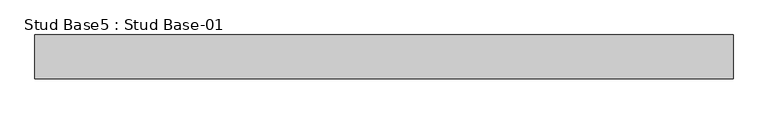
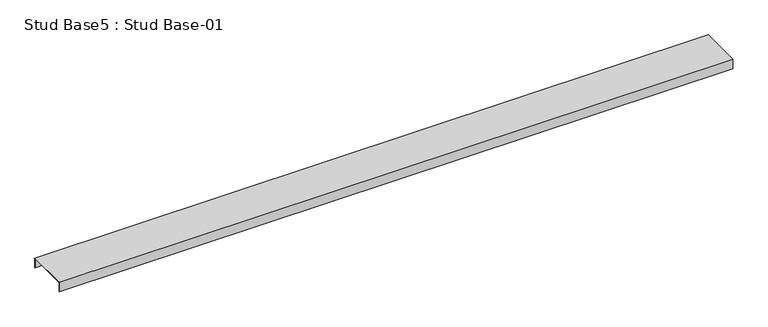
"""IFC4 building model written with IfcOpenShell, lengths in millimetres: proxy geometry, Stud Base5 : Stud Base-01."""

from ifc_helpers import new_model, si_unit, frame, origin, place, context, project, spatial, polyline, outline, extrude, source, transform, mapped, element, save


def stud_base5_stud_base_01_2846db5f(model_context):
    return source(origin(), model_context, "Body", "SweptSolid", [
        extrude(outline(polyline([(-487.1, 3888.0), (-487.1, 3851.0), (-488.6, 3851.0), (-488.6, 3886.0), (-639.6109375, 3886.0), (-639.6109375, 3851.0), (-641.1109375, 3851.0), (-641.1109375, 3888.0), (-487.1, 3888.0)])), frame((-8912.3715794, 0.0, 0.0), z_axis=(1.0, 0.0, 0.0), x_axis=(0.0, 1.0, 0.0)), (0.0, 0.0, 1.0), 2458.19659),
    ])


if __name__ == "__main__":
    model = new_model("IFC4")
    model_context = context("Model", 3, world=origin())
    ifc_project = project(units=[si_unit("LENGTHUNIT", "METRE", prefix="MILLI")], contexts=[model_context])
    site = spatial("IfcSite", under=ifc_project)
    building = spatial("IfcBuilding", under=site)
    placement = place(None, origin())
    stud_base5_stud_base_01_shape = stud_base5_stud_base_01_2846db5f(model_context)
    element("IfcBuildingElementProxy", 1, Name="Stud Base5 : Stud Base-01", ObjectType="Stud Base5 : Stud Base-01", at=placement, inside=building, context=model_context, shape_type="MappedRepresentation", body=[
        mapped(stud_base5_stud_base_01_shape, transform((0.0, 0.0, 0.0), x_axis=(1.0, 0.0, 0.0), y_axis=(0.0, 1.0, 0.0), z_axis=(0.0, 0.0, 1.0))),
    ])
    save(model, "model.ifc")
